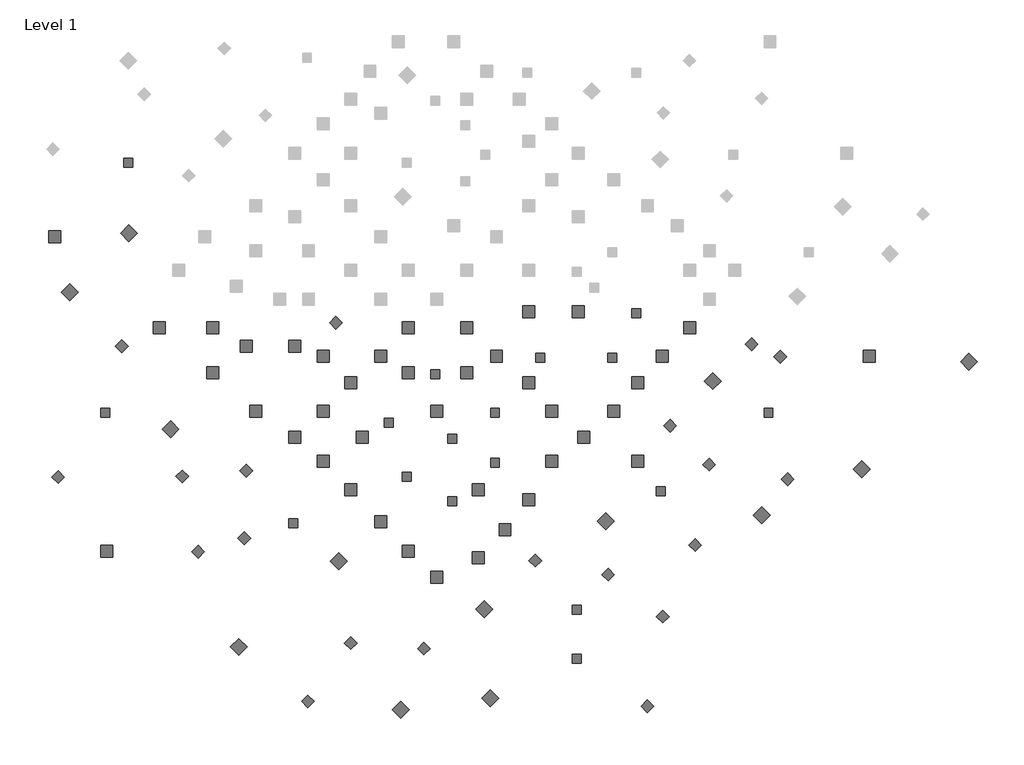
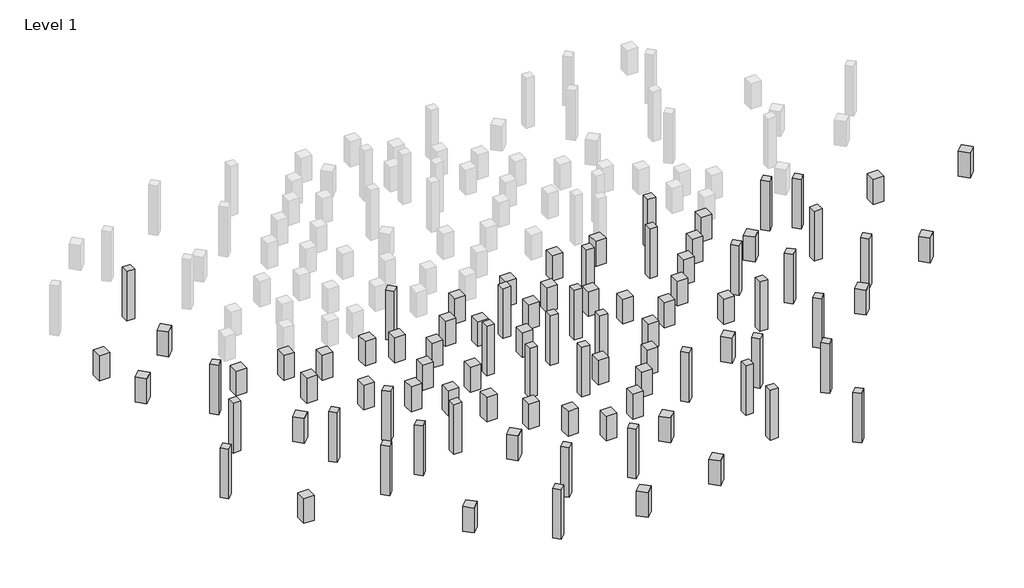
# One storey, part 1 of 2: 91 proxies.
"""IFC4 building model written with IfcOpenShell, lengths in millimetres."""

import ifcopenshell
import ifcopenshell.guid

model = None  # the IFC model being written
_history = None  # IfcOwnerHistory: only IFC2X3 demands one
_inside = {}  # id of a spatial element -> (the spatial element, [elements in it])
_under = {}  # id of a project, library or spatial element -> (it, [spatial elements below it])
_declared = {}  # id of a project -> (the project, [libraries it declares])
_typed = {}  # id of a type object -> (the type object, [elements of that type])
_made_of = {}  # id of a material, layer set ... -> (it, [elements and type objects made of it])


def new_model(schema):
    """Start an empty IFC model of exactly this schema.

    Asked for "IFC4X3", IfcOpenShell would pick the latest addendum, in which some entities
    have other attributes; the version numbers below select the first issue.
    IFC2X3 requires an IfcOwnerHistory on every rooted entity: one is made here for all.
    """
    global model, _history
    if schema == "IFC4X3":
        model = ifcopenshell.file(schema_version=(4, 3, 0, 0))
    else:
        model = ifcopenshell.file(schema=schema)
    _inside.clear()
    _under.clear()
    _declared.clear()
    _typed.clear()
    _made_of.clear()
    _history = None
    if model.schema == "IFC2X3":
        org = make("IfcOrganization", Name="unknown")
        user = make(
            "IfcPersonAndOrganization",
            ThePerson=make("IfcPerson", FamilyName="unknown"),
            TheOrganization=org,
        )
        app = make(
            "IfcApplication",
            ApplicationDeveloper=org,
            Version="unknown",
            ApplicationFullName="unknown",
            ApplicationIdentifier="unknown",
        )
        _history = make(
            "IfcOwnerHistory",
            OwningUser=user,
            OwningApplication=app,
            ChangeAction="ADDED",
            CreationDate=0,
        )
    return model


def make(cls, **values):
    """One entity of the class cls with the attributes given. An attribute that is None is left unset."""
    return model.create_entity(
        cls, **{name: value for name, value in values.items() if value is not None}
    )


def rooted(cls, **values):
    """An entity with a GlobalId (a new one), such as an element, a storey or a relation."""
    return make(cls, GlobalId=ifcopenshell.guid.new(), OwnerHistory=_history, **values)


def si_unit(unit_type, name, prefix=None):
    """IfcSIUnit, for example si_unit("LENGTHUNIT", "METRE", prefix="MILLI")."""
    return make("IfcSIUnit", UnitType=unit_type, Prefix=prefix, Name=name)


def assignment(units):
    """IfcUnitAssignment: the units of a project."""
    return None if units is None else make("IfcUnitAssignment", Units=units)


def point(xyz):
    """IfcCartesianPoint."""
    return None if xyz is None else make("IfcCartesianPoint", Coordinates=xyz)


def direction(xyz):
    """IfcDirection."""
    return None if xyz is None else make("IfcDirection", DirectionRatios=xyz)


def frame(location, z_axis=None, x_axis=None):
    """IfcAxis2Placement3D, a coordinate frame: its origin and axes. An axis left out is left unset."""
    return make(
        "IfcAxis2Placement3D",
        Location=point(location),
        Axis=direction(z_axis),
        RefDirection=direction(x_axis),
    )


def origin():
    """The frame at (0, 0, 0) with its axes left unset."""
    return frame((0.0, 0.0, 0.0))


def origin_with_axes():
    """The frame at (0, 0, 0) with the z axis (0, 0, 1) and the x axis (1, 0, 0) written out."""
    return frame((0.0, 0.0, 0.0), z_axis=(0.0, 0.0, 1.0), x_axis=(1.0, 0.0, 0.0))


def place(relative_to, where):
    """IfcLocalPlacement: puts the frame where relative to a parent placement (None: the world)."""
    return make(
        "IfcLocalPlacement", PlacementRelTo=relative_to, RelativePlacement=where
    )


def context(
    kind, dimensions, precision=None, world=None, true_north=None, identifier=None
):
    """IfcGeometricRepresentationContext, for example the 3D "Model" context."""
    return make(
        "IfcGeometricRepresentationContext",
        ContextIdentifier=identifier,
        ContextType=kind,
        CoordinateSpaceDimension=dimensions,
        Precision=precision,
        WorldCoordinateSystem=world,
        TrueNorth=true_north,
    )


def project(units=None, contexts=None):
    """IfcProject with its units and contexts."""
    return rooted(
        "IfcProject",
        Name="project",
        RepresentationContexts=contexts,
        UnitsInContext=assignment(units),
    )


def spatial(cls, under=None, at=None, **own):
    """A site, building, storey or space (cls), placed at a placement, below another one or the project."""
    s = rooted(cls, ObjectPlacement=at, **own)
    if under is not None:
        _under.setdefault(under.id(), (under, []))[1].append(s)
    return s


def polyline(points):
    """IfcPolyline through the points."""
    return make("IfcPolyline", Points=[point(p) for p in points])


def outline(outer, holes=None, kind="AREA"):
    """IfcArbitraryClosedProfileDef: a profile drawn as a closed curve; with holes, ...WithVoids."""
    if holes is None:
        return make("IfcArbitraryClosedProfileDef", ProfileType=kind, OuterCurve=outer)
    return make(
        "IfcArbitraryProfileDefWithVoids",
        ProfileType=kind,
        OuterCurve=outer,
        InnerCurves=holes,
    )


def extrude(swept, where, along, depth):
    """IfcExtrudedAreaSolid: the profile swept, set in the frame where, extruded along a direction by depth."""
    return make(
        "IfcExtrudedAreaSolid",
        SweptArea=swept,
        Position=where,
        ExtrudedDirection=direction(along),
        Depth=depth,
    )


def shape(context_of_items, identifier, shape_type, items):
    """IfcShapeRepresentation: the items that make up one representation, for example the "Body"."""
    return make(
        "IfcShapeRepresentation",
        ContextOfItems=context_of_items,
        RepresentationIdentifier=identifier,
        RepresentationType=shape_type,
        Items=items,
    )


def source(mapping_origin, context_of_items, identifier, shape_type, items):
    """IfcRepresentationMap: a shape defined once, which mapped items show again and again."""
    return make(
        "IfcRepresentationMap",
        MappingOrigin=mapping_origin,
        MappedRepresentation=shape(context_of_items, identifier, shape_type, items),
    )


def transform(
    local_origin,
    x_axis=None,
    y_axis=None,
    z_axis=None,
    scale=None,
    scale2=None,
    scale3=None,
    uniform=True,
):
    """IfcCartesianTransformationOperator3D, or its non-uniform kind. x_axis, y_axis, z_axis: its Axis1, 2, 3."""
    if uniform:
        return make(
            "IfcCartesianTransformationOperator3D",
            Axis1=direction(x_axis),
            Axis2=direction(y_axis),
            LocalOrigin=point(local_origin),
            Scale=scale,
            Axis3=direction(z_axis),
        )
    return make(
        "IfcCartesianTransformationOperator3DnonUniform",
        Axis1=direction(x_axis),
        Axis2=direction(y_axis),
        LocalOrigin=point(local_origin),
        Scale=scale,
        Axis3=direction(z_axis),
        Scale2=scale2,
        Scale3=scale3,
    )


def mapped(mapping_source, mapping_target):
    """IfcMappedItem: shows the shape of a source again, moved by a transform."""
    return make(
        "IfcMappedItem", MappingSource=mapping_source, MappingTarget=mapping_target
    )


def made_of(thing, what):
    """Note that an element or type object is made of a material, layer set ...; save() writes the relation."""
    if what is not None:
        _made_of.setdefault(what.id(), (what, []))[1].append(thing)
    return thing


def element(
    cls,
    number,
    at=None,
    inside=None,
    cuts=None,
    type_object=None,
    material=None,
    context=None,
    identifier="Body",
    shape_type=None,
    held_by="IfcProductDefinitionShape",
    body=None,
    shapes=None,
    **own,
):
    """One element of the class cls, such as IfcWall. Its Tag is "e" and its number.

    at: its placement. inside: the storey or other place that contains it. cuts: it is an
    opening in that element (IfcRelVoidsElement). A single representation is given by context,
    identifier, shape_type and body (its items); several are given by shapes. held_by: the class
    of the entity that holds the representations. save() writes the other relations.
    """
    e = rooted(cls, Tag="e%d" % number, ObjectPlacement=at, **own)
    if body is not None:
        shapes = [shape(context, identifier, shape_type, body)]
    if shapes is not None:
        e.Representation = make(held_by, Representations=shapes)
    if inside is not None:
        _inside.setdefault(inside.id(), (inside, []))[1].append(e)
    if cuts is not None:
        rooted(
            "IfcRelVoidsElement", RelatingBuildingElement=cuts, RelatedOpeningElement=e
        )
    if type_object is not None:
        _typed.setdefault(type_object.id(), (type_object, []))[1].append(e)
    return made_of(e, material)


def aggregate(whole, parts):
    """IfcRelAggregates: a whole, such as a stair, and the parts it consists of."""
    return rooted("IfcRelAggregates", RelatingObject=whole, RelatedObjects=parts)


def save(model, path):
    """Write the relations noted so far, then the file.

    IfcRelAggregates (storeys below a building ...), IfcRelContainedInSpatialStructure (elements
    in a storey), IfcRelDefinesByType, IfcRelAssociatesMaterial and IfcRelDeclares: one each for
    every whole, place, type object, material and project.
    """
    for whole, parts in _under.values():
        aggregate(whole, parts)
    for where, things in _inside.values():
        rooted(
            "IfcRelContainedInSpatialStructure",
            RelatedElements=things,
            RelatingStructure=where,
        )
    for kind, things in _typed.values():
        rooted("IfcRelDefinesByType", RelatedObjects=things, RelatingType=kind)
    for what, things in _made_of.values():
        rooted("IfcRelAssociatesMaterial", RelatedObjects=things, RelatingMaterial=what)
    for by, libraries in _declared.values():
        rooted("IfcRelDeclares", RelatingContext=by, RelatedDefinitions=libraries)
    model.write(path)


def proxy_15_x_15_x_100_24c94d6c(model_context):
    return source(origin(), model_context, "Body", "SweptSolid", [
        extrude(outline(polyline([(15000.0, 0.0), (0.0, 0.0), (0.0, 15000.0), (15000.0, 15000.0), (15000.0, 0.0)])), origin_with_axes(), (0.0, 0.0, 1.0), 100000.0),
    ])


def proxy_20_x_20_x_50_3dcaf453(model_context):
    return source(origin(), model_context, "Body", "SweptSolid", [
        extrude(outline(polyline([(20000.0, 0.0), (0.0, 0.0), (0.0, 20000.0), (20000.0, 20000.0), (20000.0, 0.0)])), origin_with_axes(), (0.0, 0.0, 1.0), 50000.0),
    ])


model = new_model("IFC4")

# Units and contexts
model_context = context("Model", 3, world=origin())
ifc_project = project(units=[si_unit("LENGTHUNIT", "METRE", prefix="MILLI")], contexts=[model_context])

# Site, building, storey
site = spatial("IfcSite", under=ifc_project)
building = spatial("IfcBuilding", under=site)
storey = spatial("IfcBuildingStorey", under=building, Name="Level 1", Elevation=0.0)

# Proxies
placement = place(None, origin())
proxy_15_x_15_x_100_shape = proxy_15_x_15_x_100_24c94d6c(model_context)
element("IfcBuildingElementProxy", 1, Name="15 x 15 x 100", ObjectType="15 x 15 x 100", at=placement, inside=storey, context=model_context, shape_type="MappedRepresentation", body=[
    mapped(proxy_15_x_15_x_100_shape, transform((142005.8378687, -80556.675213, 0.0), x_axis=(1.0, 0.0, 0.0), y_axis=(0.0, 1.0, 0.0), z_axis=(0.0, 0.0, 1.0))),
])
element("IfcBuildingElementProxy", 2, Name="15 x 15 x 100", ObjectType="15 x 15 x 100", at=placement, inside=storey, context=model_context, shape_type="MappedRepresentation", body=[
    mapped(proxy_15_x_15_x_100_shape, transform((262649.518592, -80556.675213, 0.0), x_axis=(1.0, 0.0, 0.0), y_axis=(0.0, 1.0, 0.0), z_axis=(0.0, 0.0, 1.0))),
])
element("IfcBuildingElementProxy", 3, Name="15 x 15 x 100", ObjectType="15 x 15 x 100", at=placement, inside=storey, context=model_context, shape_type="MappedRepresentation", body=[
    mapped(proxy_15_x_15_x_100_shape, transform((302569.0425016, -5820.2093948, 0.0), x_axis=(1.0, 0.0, 0.0), y_axis=(0.0, 1.0, 0.0), z_axis=(0.0, 0.0, 1.0))),
])
element("IfcBuildingElementProxy", 4, Name="15 x 15 x 100", ObjectType="15 x 15 x 100", at=placement, inside=storey, context=model_context, shape_type="MappedRepresentation", body=[
    mapped(proxy_15_x_15_x_100_shape, transform((-33631.0469867, -108470.4137338, 0.0), x_axis=(1.0, 0.0, 0.0), y_axis=(0.0, 1.0, 0.0), z_axis=(0.0, 0.0, 1.0))),
])
element("IfcBuildingElementProxy", 5, Name="15 x 15 x 100", ObjectType="15 x 15 x 100", at=placement, inside=storey, context=model_context, shape_type="MappedRepresentation", body=[
    mapped(proxy_15_x_15_x_100_shape, transform((-111197.9995008, -189450.019379, 0.0), x_axis=(1.0, 0.0, 0.0), y_axis=(0.0, 1.0, 0.0), z_axis=(0.0, 0.0, 1.0))),
])
element("IfcBuildingElementProxy", 6, Name="15 x 15 x 100", ObjectType="15 x 15 x 100", at=placement, inside=storey, context=model_context, shape_type="MappedRepresentation", body=[
    mapped(proxy_15_x_15_x_100_shape, transform((-4946.7402961, -215986.0299961, 0.0), x_axis=(1.0, 0.0, 0.0), y_axis=(0.0, 1.0, 0.0), z_axis=(0.0, 0.0, 1.0))),
])
element("IfcBuildingElementProxy", 7, Name="15 x 15 x 100", ObjectType="15 x 15 x 100", at=placement, inside=storey, context=model_context, shape_type="MappedRepresentation", body=[
    mapped(proxy_15_x_15_x_100_shape, transform((66276.0262509, -172347.2957843, 0.0), x_axis=(1.0, 0.0, 0.0), y_axis=(0.0, 1.0, 0.0), z_axis=(0.0, 0.0, 1.0))),
])
element("IfcBuildingElementProxy", 8, Name="15 x 15 x 100", ObjectType="15 x 15 x 100", at=placement, inside=storey, context=model_context, shape_type="MappedRepresentation", body=[
    mapped(proxy_15_x_15_x_100_shape, transform((66276.0262509, -256430.7427839, 0.0), x_axis=(1.0, 0.0, 0.0), y_axis=(0.0, 1.0, 0.0), z_axis=(0.0, 0.0, 1.0))),
])
element("IfcBuildingElementProxy", 9, Name="15 x 15 x 100", ObjectType="15 x 15 x 100", at=placement, inside=storey, context=model_context, shape_type="MappedRepresentation", body=[
    mapped(proxy_15_x_15_x_100_shape, transform((-81276.9552111, -279554.0876321, 0.0), x_axis=(1.0, 0.0, 0.0), y_axis=(0.0, 1.0, 0.0), z_axis=(0.0, 0.0, 1.0))),
])
element("IfcBuildingElementProxy", 10, Name="15 x 15 x 100", ObjectType="15 x 15 x 100", at=placement, inside=storey, context=model_context, shape_type="MappedRepresentation", body=[
    mapped(proxy_15_x_15_x_100_shape, transform((-4946.7402961, -320278.2799121, 0.0), x_axis=(1.0, 0.0, 0.0), y_axis=(0.0, 1.0, 0.0), z_axis=(0.0, 0.0, 1.0))),
])
element("IfcBuildingElementProxy", 11, Name="15 x 15 x 100", ObjectType="15 x 15 x 100", at=placement, inside=storey, context=model_context, shape_type="MappedRepresentation", body=[
    mapped(proxy_15_x_15_x_100_shape, transform((-546797.5632868, 245102.5123227, 0.0), x_axis=(1.0, 0.0, 0.0), y_axis=(0.0, 1.0, 0.0), z_axis=(0.0, 0.0, 1.0))),
])
element("IfcBuildingElementProxy", 12, Name="15 x 15 x 100", ObjectType="15 x 15 x 100", at=placement, inside=storey, context=model_context, shape_type="MappedRepresentation", body=[
    mapped(proxy_15_x_15_x_100_shape, transform((-584959.772726, -172347.2957843, 0.0), x_axis=(1.0, 0.0, 0.0), y_axis=(0.0, 1.0, 0.0), z_axis=(0.0, 0.0, 1.0))),
])
element("IfcBuildingElementProxy", 13, Name="15 x 15 x 100", ObjectType="15 x 15 x 100", at=placement, inside=storey, context=model_context, shape_type="MappedRepresentation", body=[
    mapped(proxy_15_x_15_x_100_shape, transform((-270658.6972235, -357334.5353289, 0.0), x_axis=(1.0, 0.0, 0.0), y_axis=(0.0, 1.0, 0.0), z_axis=(0.0, 0.0, 1.0))),
])
element("IfcBuildingElementProxy", 14, Name="15 x 15 x 100", ObjectType="15 x 15 x 100", at=placement, inside=storey, context=model_context, shape_type="MappedRepresentation", body=[
    mapped(proxy_15_x_15_x_100_shape, transform((202634.7840339, -501624.973444, 0.0), x_axis=(1.0, 0.0, 0.0), y_axis=(0.0, 1.0, 0.0), z_axis=(0.0, 0.0, 1.0))),
])
element("IfcBuildingElementProxy", 15, Name="15 x 15 x 100", ObjectType="15 x 15 x 100", at=placement, inside=storey, context=model_context, shape_type="MappedRepresentation", body=[
    mapped(proxy_15_x_15_x_100_shape, transform((343629.1242372, -303864.1495358, 0.0), x_axis=(1.0, 0.0, 0.0), y_axis=(0.0, 1.0, 0.0), z_axis=(0.0, 0.0, 1.0))),
])
element("IfcBuildingElementProxy", 16, Name="15 x 15 x 100", ObjectType="15 x 15 x 100", at=placement, inside=storey, context=model_context, shape_type="MappedRepresentation", body=[
    mapped(proxy_15_x_15_x_100_shape, transform((523478.9468949, -172347.2957843, 0.0), x_axis=(1.0, 0.0, 0.0), y_axis=(0.0, 1.0, 0.0), z_axis=(0.0, 0.0, 1.0))),
])
element("IfcBuildingElementProxy", 17, Name="15 x 15 x 100", ObjectType="15 x 15 x 100", at=placement, inside=storey, context=model_context, shape_type="MappedRepresentation", body=[
    mapped(proxy_15_x_15_x_100_shape, transform((-342109.3490219, -272651.7168087, 0.0), x_axis=(0.7071067811865475, 0.7071067811865476, 0.0), y_axis=(-0.7071067811865476, 0.7071067811865475, 0.0), z_axis=(0.0, 0.0, 1.0))),
])
element("IfcBuildingElementProxy", 18, Name="15 x 15 x 100", ObjectType="15 x 15 x 100", at=placement, inside=storey, context=model_context, shape_type="MappedRepresentation", body=[
    mapped(proxy_15_x_15_x_100_shape, transform((-550266.855054, -64494.2107766, 0.0), x_axis=(0.7071067811865475, 0.7071067811865476, 0.0), y_axis=(-0.7071067811865476, 0.7071067811865475, 0.0), z_axis=(0.0, 0.0, 1.0))),
])
element("IfcBuildingElementProxy", 19, Name="15 x 15 x 100", ObjectType="15 x 15 x 100", at=placement, inside=storey, context=model_context, shape_type="MappedRepresentation", body=[
    mapped(proxy_15_x_15_x_100_shape, transform((502663.1962917, -61024.9190094, 0.0), x_axis=(0.7071067811865475, 0.7071067811865476, 0.0), y_axis=(-0.7071067811865476, 0.7071067811865475, 0.0), z_axis=(0.0, 0.0, 1.0))),
])
element("IfcBuildingElementProxy", 20, Name="15 x 15 x 100", ObjectType="15 x 15 x 100", at=placement, inside=storey, context=model_context, shape_type="MappedRepresentation", body=[
    mapped(proxy_15_x_15_x_100_shape, transform((431542.715064, -262243.8415071, 0.0), x_axis=(0.7071067811865475, 0.7071067811865476, 0.0), y_axis=(-0.7071067811865476, 0.7071067811865475, 0.0), z_axis=(0.0, 0.0, 1.0))),
])
element("IfcBuildingElementProxy", 21, Name="15 x 15 x 100", ObjectType="15 x 15 x 100", at=placement, inside=storey, context=model_context, shape_type="MappedRepresentation", body=[
    mapped(proxy_15_x_15_x_100_shape, transform((366493.494429, -197194.620872, 0.0), x_axis=(0.7071067811865475, 0.7071067811865476, 0.0), y_axis=(-0.7071067811865476, 0.7071067811865475, 0.0), z_axis=(0.0, 0.0, 1.0))),
])
element("IfcBuildingElementProxy", 22, Name="15 x 15 x 100", ObjectType="15 x 15 x 100", at=placement, inside=storey, context=model_context, shape_type="MappedRepresentation", body=[
    mapped(proxy_15_x_15_x_100_shape, transform((408124.9956354, -396678.8974861, 0.0), x_axis=(0.7071067811865475, 0.7071067811865476, 0.0), y_axis=(-0.7071067811865476, 0.7071067811865475, 0.0), z_axis=(0.0, 0.0, 1.0))),
])
element("IfcBuildingElementProxy", 23, Name="15 x 15 x 100", ObjectType="15 x 15 x 100", at=placement, inside=storey, context=model_context, shape_type="MappedRepresentation", body=[
    mapped(proxy_15_x_15_x_100_shape, transform((140989.5295609, -422698.5857401, 0.0), x_axis=(0.7071067811865475, 0.7071067811865476, 0.0), y_axis=(-0.7071067811865476, 0.7071067811865475, 0.0), z_axis=(0.0, 0.0, 1.0))),
])
element("IfcBuildingElementProxy", 24, Name="15 x 15 x 100", ObjectType="15 x 15 x 100", at=placement, inside=storey, context=model_context, shape_type="MappedRepresentation", body=[
    mapped(proxy_15_x_15_x_100_shape, transform((354350.9732438, -516369.4634546, 0.0), x_axis=(0.7071067811865475, 0.7071067811865476, 0.0), y_axis=(-0.7071067811865476, 0.7071067811865475, 0.0), z_axis=(0.0, 0.0, 1.0))),
])
element("IfcBuildingElementProxy", 25, Name="15 x 15 x 100", ObjectType="15 x 15 x 100", at=placement, inside=storey, context=model_context, shape_type="MappedRepresentation", body=[
    mapped(proxy_15_x_15_x_100_shape, transform((-345578.6407891, -385403.6992427, 0.0), x_axis=(0.7071067811865475, 0.7071067811865476, 0.0), y_axis=(-0.7071067811865476, 0.7071067811865475, 0.0), z_axis=(0.0, 0.0, 1.0))),
])
element("IfcBuildingElementProxy", 26, Name="15 x 15 x 100", ObjectType="15 x 15 x 100", at=placement, inside=storey, context=model_context, shape_type="MappedRepresentation", body=[
    mapped(proxy_15_x_15_x_100_shape, transform((-449045.3890543, -281936.9509775, 0.0), x_axis=(0.7071067811865475, 0.7071067811865476, 0.0), y_axis=(-0.7071067811865476, 0.7071067811865475, 0.0), z_axis=(0.0, 0.0, 1.0))),
])
element("IfcBuildingElementProxy", 27, Name="15 x 15 x 100", ObjectType="15 x 15 x 100", at=placement, inside=storey, context=model_context, shape_type="MappedRepresentation", body=[
    mapped(proxy_15_x_15_x_100_shape, transform((-192317.7982814, -25209.3602046, 0.0), x_axis=(0.7071067811865475, 0.7071067811865476, 0.0), y_axis=(-0.7071067811865476, 0.7071067811865475, 0.0), z_axis=(0.0, 0.0, 1.0))),
])
element("IfcBuildingElementProxy", 28, Name="15 x 15 x 100", ObjectType="15 x 15 x 100", at=placement, inside=storey, context=model_context, shape_type="MappedRepresentation", body=[
    mapped(proxy_15_x_15_x_100_shape, transform((-646083.2728957, -272551.9746704, 0.0), x_axis=(-0.7071067811865465, 0.7071067811865486, 0.0), y_axis=(-0.7071067811865486, -0.7071067811865465, 0.0), z_axis=(0.0, 0.0, 1.0))),
])
element("IfcBuildingElementProxy", 29, Name="15 x 15 x 100", ObjectType="15 x 15 x 100", at=placement, inside=storey, context=model_context, shape_type="MappedRepresentation", body=[
    mapped(proxy_15_x_15_x_100_shape, transform((-411906.0786096, -397446.4782896, 0.0), x_axis=(-0.7071067811865466, 0.7071067811865486, 0.0), y_axis=(-0.7071067811865486, -0.7071067811865466, 0.0), z_axis=(0.0, 0.0, 1.0))),
])
element("IfcBuildingElementProxy", 30, Name="15 x 15 x 100", ObjectType="15 x 15 x 100", at=placement, inside=storey, context=model_context, shape_type="MappedRepresentation", body=[
    mapped(proxy_15_x_15_x_100_shape, transform((-156913.1337203, -550095.3160465, 0.0), x_axis=(-0.7071067811865466, 0.7071067811865486, 0.0), y_axis=(-0.7071067811865486, -0.7071067811865466, 0.0), z_axis=(0.0, 0.0, 1.0))),
])
element("IfcBuildingElementProxy", 31, Name="15 x 15 x 100", ObjectType="15 x 15 x 100", at=placement, inside=storey, context=model_context, shape_type="MappedRepresentation", body=[
    mapped(proxy_15_x_15_x_100_shape, transform((273279.0454127, -435608.6877288, 0.0), x_axis=(-0.7071067811865466, 0.7071067811865486, 0.0), y_axis=(-0.7071067811865486, -0.7071067811865466, 0.0), z_axis=(0.0, 0.0, 1.0))),
])
element("IfcBuildingElementProxy", 32, Name="15 x 15 x 100", ObjectType="15 x 15 x 100", at=placement, inside=storey, context=model_context, shape_type="MappedRepresentation", body=[
    mapped(proxy_15_x_15_x_100_shape, transform((573372.7832756, -276021.2664376, 0.0), x_axis=(-0.7071067811865466, 0.7071067811865486, 0.0), y_axis=(-0.7071067811865486, -0.7071067811865466, 0.0), z_axis=(0.0, 0.0, 1.0))),
])
element("IfcBuildingElementProxy", 33, Name="15 x 15 x 100", ObjectType="15 x 15 x 100", at=placement, inside=storey, context=model_context, shape_type="MappedRepresentation", body=[
    mapped(proxy_15_x_15_x_100_shape, transform((561230.2620904, -71333.0521727, 0.0), x_axis=(-0.7071067811865466, 0.7071067811865486, 0.0), y_axis=(-0.7071067811865486, -0.7071067811865466, 0.0), z_axis=(0.0, 0.0, 1.0))),
])
element("IfcBuildingElementProxy", 34, Name="15 x 15 x 100", ObjectType="15 x 15 x 100", at=placement, inside=storey, context=model_context, shape_type="MappedRepresentation", body=[
    mapped(proxy_15_x_15_x_100_shape, transform((202634.7840339, -583731.5295024, 0.0), x_axis=(1.0, 0.0, 0.0), y_axis=(0.0, 1.0, 0.0), z_axis=(0.0, 0.0, 1.0))),
])
element("IfcBuildingElementProxy", 35, Name="15 x 15 x 100", ObjectType="15 x 15 x 100", at=placement, inside=storey, context=model_context, shape_type="MappedRepresentation", body=[
    mapped(proxy_15_x_15_x_100_shape, transform((-45029.2776956, -569731.7881349, 0.0), x_axis=(0.7071067811865475, 0.7071067811865476, 0.0), y_axis=(-0.7071067811865476, 0.7071067811865475, 0.0), z_axis=(0.0, 0.0, 1.0))),
])
element("IfcBuildingElementProxy", 36, Name="15 x 15 x 100", ObjectType="15 x 15 x 100", at=placement, inside=storey, context=model_context, shape_type="MappedRepresentation", body=[
    mapped(proxy_15_x_15_x_100_shape, transform((328668.6725364, -666318.0200206, 0.0), x_axis=(0.7071067811865475, 0.7071067811865476, 0.0), y_axis=(-0.7071067811865476, 0.7071067811865475, 0.0), z_axis=(0.0, 0.0, 1.0))),
])
element("IfcBuildingElementProxy", 37, Name="15 x 15 x 100", ObjectType="15 x 15 x 100", at=placement, inside=storey, context=model_context, shape_type="MappedRepresentation", body=[
    mapped(proxy_15_x_15_x_100_shape, transform((-239113.4497765, -658288.7778869, 0.0), x_axis=(0.7071067811865475, 0.7071067811865476, 0.0), y_axis=(-0.7071067811865476, 0.7071067811865475, 0.0), z_axis=(0.0, 0.0, 1.0))),
])
proxy_20_x_20_x_50_shape = proxy_20_x_20_x_50_3dcaf453(model_context)
element("IfcBuildingElementProxy", 38, Name="20 x 20 x 50", ObjectType="20 x 20 x 50", at=placement, inside=storey, context=model_context, shape_type="MappedRepresentation", body=[
    mapped(proxy_20_x_20_x_50_shape, transform((-177352.2677322, -124819.442025, 0.0), x_axis=(1.0, 0.0, 0.0), y_axis=(0.0, 1.0, 0.0), z_axis=(0.0, 0.0, 1.0))),
])
element("IfcBuildingElementProxy", 39, Name="20 x 20 x 50", ObjectType="20 x 20 x 50", at=placement, inside=storey, context=model_context, shape_type="MappedRepresentation", body=[
    mapped(proxy_20_x_20_x_50_shape, transform((-127513.2211803, -80556.675213, 0.0), x_axis=(1.0, 0.0, 0.0), y_axis=(0.0, 1.0, 0.0), z_axis=(0.0, 0.0, 1.0))),
])
element("IfcBuildingElementProxy", 40, Name="20 x 20 x 50", ObjectType="20 x 20 x 50", at=placement, inside=storey, context=model_context, shape_type="MappedRepresentation", body=[
    mapped(proxy_20_x_20_x_50_shape, transform((-81276.9552111, -32628.8385375, 0.0), x_axis=(1.0, 0.0, 0.0), y_axis=(0.0, 1.0, 0.0), z_axis=(0.0, 0.0, 1.0))),
])
element("IfcBuildingElementProxy", 41, Name="20 x 20 x 50", ObjectType="20 x 20 x 50", at=placement, inside=storey, context=model_context, shape_type="MappedRepresentation", body=[
    mapped(proxy_20_x_20_x_50_shape, transform((-223052.8053562, -172347.2957843, 0.0), x_axis=(1.0, 0.0, 0.0), y_axis=(0.0, 1.0, 0.0), z_axis=(0.0, 0.0, 1.0))),
])
element("IfcBuildingElementProxy", 42, Name="20 x 20 x 50", ObjectType="20 x 20 x 50", at=placement, inside=storey, context=model_context, shape_type="MappedRepresentation", body=[
    mapped(proxy_20_x_20_x_50_shape, transform((-270658.6972235, -215986.0299961, 0.0), x_axis=(1.0, 0.0, 0.0), y_axis=(0.0, 1.0, 0.0), z_axis=(0.0, 0.0, 1.0))),
])
element("IfcBuildingElementProxy", 43, Name="20 x 20 x 50", ObjectType="20 x 20 x 50", at=placement, inside=storey, context=model_context, shape_type="MappedRepresentation", body=[
    mapped(proxy_20_x_20_x_50_shape, transform((-223052.8053562, -256430.7427839, 0.0), x_axis=(1.0, 0.0, 0.0), y_axis=(0.0, 1.0, 0.0), z_axis=(0.0, 0.0, 1.0))),
])
element("IfcBuildingElementProxy", 44, Name="20 x 20 x 50", ObjectType="20 x 20 x 50", at=placement, inside=storey, context=model_context, shape_type="MappedRepresentation", body=[
    mapped(proxy_20_x_20_x_50_shape, transform((-177352.2677322, -303864.1495358, 0.0), x_axis=(1.0, 0.0, 0.0), y_axis=(0.0, 1.0, 0.0), z_axis=(0.0, 0.0, 1.0))),
])
element("IfcBuildingElementProxy", 45, Name="20 x 20 x 50", ObjectType="20 x 20 x 50", at=placement, inside=storey, context=model_context, shape_type="MappedRepresentation", body=[
    mapped(proxy_20_x_20_x_50_shape, transform((-127513.2211803, -357334.5353289, 0.0), x_axis=(1.0, 0.0, 0.0), y_axis=(0.0, 1.0, 0.0), z_axis=(0.0, 0.0, 1.0))),
])
element("IfcBuildingElementProxy", 46, Name="20 x 20 x 50", ObjectType="20 x 20 x 50", at=placement, inside=storey, context=model_context, shape_type="MappedRepresentation", body=[
    mapped(proxy_20_x_20_x_50_shape, transform((-81276.9552111, -406622.157072, 0.0), x_axis=(1.0, 0.0, 0.0), y_axis=(0.0, 1.0, 0.0), z_axis=(0.0, 0.0, 1.0))),
])
element("IfcBuildingElementProxy", 47, Name="20 x 20 x 50", ObjectType="20 x 20 x 50", at=placement, inside=storey, context=model_context, shape_type="MappedRepresentation", body=[
    mapped(proxy_20_x_20_x_50_shape, transform((-33631.0469867, -450260.8912837, 0.0), x_axis=(1.0, 0.0, 0.0), y_axis=(0.0, 1.0, 0.0), z_axis=(0.0, 0.0, 1.0))),
])
element("IfcBuildingElementProxy", 48, Name="20 x 20 x 50", ObjectType="20 x 20 x 50", at=placement, inside=storey, context=model_context, shape_type="MappedRepresentation", body=[
    mapped(proxy_20_x_20_x_50_shape, transform((16252.7669128, -32628.8385375, 0.0), x_axis=(1.0, 0.0, 0.0), y_axis=(0.0, 1.0, 0.0), z_axis=(0.0, 0.0, 1.0))),
])
element("IfcBuildingElementProxy", 49, Name="20 x 20 x 50", ObjectType="20 x 20 x 50", at=placement, inside=storey, context=model_context, shape_type="MappedRepresentation", body=[
    mapped(proxy_20_x_20_x_50_shape, transform((66276.0262509, -80556.675213, 0.0), x_axis=(1.0, 0.0, 0.0), y_axis=(0.0, 1.0, 0.0), z_axis=(0.0, 0.0, 1.0))),
])
element("IfcBuildingElementProxy", 50, Name="20 x 20 x 50", ObjectType="20 x 20 x 50", at=placement, inside=storey, context=model_context, shape_type="MappedRepresentation", body=[
    mapped(proxy_20_x_20_x_50_shape, transform((119823.9885402, -124819.442025, 0.0), x_axis=(1.0, 0.0, 0.0), y_axis=(0.0, 1.0, 0.0), z_axis=(0.0, 0.0, 1.0))),
])
element("IfcBuildingElementProxy", 51, Name="20 x 20 x 50", ObjectType="20 x 20 x 50", at=placement, inside=storey, context=model_context, shape_type="MappedRepresentation", body=[
    mapped(proxy_20_x_20_x_50_shape, transform((158786.1189966, -172347.2957843, 0.0), x_axis=(1.0, 0.0, 0.0), y_axis=(0.0, 1.0, 0.0), z_axis=(0.0, 0.0, 1.0))),
])
element("IfcBuildingElementProxy", 52, Name="20 x 20 x 50", ObjectType="20 x 20 x 50", at=placement, inside=storey, context=model_context, shape_type="MappedRepresentation", body=[
    mapped(proxy_20_x_20_x_50_shape, transform((212464.9742485, -215986.0299961, 0.0), x_axis=(1.0, 0.0, 0.0), y_axis=(0.0, 1.0, 0.0), z_axis=(0.0, 0.0, 1.0))),
])
element("IfcBuildingElementProxy", 53, Name="20 x 20 x 50", ObjectType="20 x 20 x 50", at=placement, inside=storey, context=model_context, shape_type="MappedRepresentation", body=[
    mapped(proxy_20_x_20_x_50_shape, transform((262649.518592, -172347.2957843, 0.0), x_axis=(1.0, 0.0, 0.0), y_axis=(0.0, 1.0, 0.0), z_axis=(0.0, 0.0, 1.0))),
])
element("IfcBuildingElementProxy", 54, Name="20 x 20 x 50", ObjectType="20 x 20 x 50", at=placement, inside=storey, context=model_context, shape_type="MappedRepresentation", body=[
    mapped(proxy_20_x_20_x_50_shape, transform((302569.0425016, -124819.442025, 0.0), x_axis=(1.0, 0.0, 0.0), y_axis=(0.0, 1.0, 0.0), z_axis=(0.0, 0.0, 1.0))),
])
element("IfcBuildingElementProxy", 55, Name="20 x 20 x 50", ObjectType="20 x 20 x 50", at=placement, inside=storey, context=model_context, shape_type="MappedRepresentation", body=[
    mapped(proxy_20_x_20_x_50_shape, transform((343629.1242372, -80556.675213, 0.0), x_axis=(1.0, 0.0, 0.0), y_axis=(0.0, 1.0, 0.0), z_axis=(0.0, 0.0, 1.0))),
])
element("IfcBuildingElementProxy", 56, Name="20 x 20 x 50", ObjectType="20 x 20 x 50", at=placement, inside=storey, context=model_context, shape_type="MappedRepresentation", body=[
    mapped(proxy_20_x_20_x_50_shape, transform((389251.4372768, -32628.8385375, 0.0), x_axis=(1.0, 0.0, 0.0), y_axis=(0.0, 1.0, 0.0), z_axis=(0.0, 0.0, 1.0))),
])
element("IfcBuildingElementProxy", 57, Name="20 x 20 x 50", ObjectType="20 x 20 x 50", at=placement, inside=storey, context=model_context, shape_type="MappedRepresentation", body=[
    mapped(proxy_20_x_20_x_50_shape, transform((158786.1189966, -256430.7427839, 0.0), x_axis=(1.0, 0.0, 0.0), y_axis=(0.0, 1.0, 0.0), z_axis=(0.0, 0.0, 1.0))),
])
element("IfcBuildingElementProxy", 58, Name="20 x 20 x 50", ObjectType="20 x 20 x 50", at=placement, inside=storey, context=model_context, shape_type="MappedRepresentation", body=[
    mapped(proxy_20_x_20_x_50_shape, transform((119823.9885402, -320278.2799121, 0.0), x_axis=(1.0, 0.0, 0.0), y_axis=(0.0, 1.0, 0.0), z_axis=(0.0, 0.0, 1.0))),
])
element("IfcBuildingElementProxy", 59, Name="20 x 20 x 50", ObjectType="20 x 20 x 50", at=placement, inside=storey, context=model_context, shape_type="MappedRepresentation", body=[
    mapped(proxy_20_x_20_x_50_shape, transform((80459.6803064, -370298.9633959, 0.0), x_axis=(1.0, 0.0, 0.0), y_axis=(0.0, 1.0, 0.0), z_axis=(0.0, 0.0, 1.0))),
])
element("IfcBuildingElementProxy", 60, Name="20 x 20 x 50", ObjectType="20 x 20 x 50", at=placement, inside=storey, context=model_context, shape_type="MappedRepresentation", body=[
    mapped(proxy_20_x_20_x_50_shape, transform((35613.5502864, -417732.3701478, 0.0), x_axis=(1.0, 0.0, 0.0), y_axis=(0.0, 1.0, 0.0), z_axis=(0.0, 0.0, 1.0))),
])
element("IfcBuildingElementProxy", 61, Name="20 x 20 x 50", ObjectType="20 x 20 x 50", at=placement, inside=storey, context=model_context, shape_type="MappedRepresentation", body=[
    mapped(proxy_20_x_20_x_50_shape, transform((-335887.8912206, -172347.2957843, 0.0), x_axis=(1.0, 0.0, 0.0), y_axis=(0.0, 1.0, 0.0), z_axis=(0.0, 0.0, 1.0))),
])
element("IfcBuildingElementProxy", 62, Name="20 x 20 x 50", ObjectType="20 x 20 x 50", at=placement, inside=storey, context=model_context, shape_type="MappedRepresentation", body=[
    mapped(proxy_20_x_20_x_50_shape, transform((-407743.0342579, -108470.4137338, 0.0), x_axis=(1.0, 0.0, 0.0), y_axis=(0.0, 1.0, 0.0), z_axis=(0.0, 0.0, 1.0))),
])
element("IfcBuildingElementProxy", 63, Name="20 x 20 x 50", ObjectType="20 x 20 x 50", at=placement, inside=storey, context=model_context, shape_type="MappedRepresentation", body=[
    mapped(proxy_20_x_20_x_50_shape, transform((-407743.0342579, -32628.8385375, 0.0), x_axis=(1.0, 0.0, 0.0), y_axis=(0.0, 1.0, 0.0), z_axis=(0.0, 0.0, 1.0))),
])
element("IfcBuildingElementProxy", 64, Name="20 x 20 x 50", ObjectType="20 x 20 x 50", at=placement, inside=storey, context=model_context, shape_type="MappedRepresentation", body=[
    mapped(proxy_20_x_20_x_50_shape, transform((-351855.7007844, -63988.6585202, 0.0), x_axis=(1.0, 0.0, 0.0), y_axis=(0.0, 1.0, 0.0), z_axis=(0.0, 0.0, 1.0))),
])
element("IfcBuildingElementProxy", 65, Name="20 x 20 x 50", ObjectType="20 x 20 x 50", at=placement, inside=storey, context=model_context, shape_type="MappedRepresentation", body=[
    mapped(proxy_20_x_20_x_50_shape, transform((-223052.8053562, -80556.675213, 0.0), x_axis=(1.0, 0.0, 0.0), y_axis=(0.0, 1.0, 0.0), z_axis=(0.0, 0.0, 1.0))),
])
element("IfcBuildingElementProxy", 66, Name="20 x 20 x 50", ObjectType="20 x 20 x 50", at=placement, inside=storey, context=model_context, shape_type="MappedRepresentation", body=[
    mapped(proxy_20_x_20_x_50_shape, transform((-497847.102511, -32628.8385375, 0.0), x_axis=(1.0, 0.0, 0.0), y_axis=(0.0, 1.0, 0.0), z_axis=(0.0, 0.0, 1.0))),
])
element("IfcBuildingElementProxy", 67, Name="20 x 20 x 50", ObjectType="20 x 20 x 50", at=placement, inside=storey, context=model_context, shape_type="MappedRepresentation", body=[
    mapped(proxy_20_x_20_x_50_shape, transform((119823.9885402, -5820.2093948, 0.0), x_axis=(1.0, 0.0, 0.0), y_axis=(0.0, 1.0, 0.0), z_axis=(0.0, 0.0, 1.0))),
])
element("IfcBuildingElementProxy", 68, Name="20 x 20 x 50", ObjectType="20 x 20 x 50", at=placement, inside=storey, context=model_context, shape_type="MappedRepresentation", body=[
    mapped(proxy_20_x_20_x_50_shape, transform((202634.7840339, -5820.2093948, 0.0), x_axis=(1.0, 0.0, 0.0), y_axis=(0.0, 1.0, 0.0), z_axis=(0.0, 0.0, 1.0))),
])
element("IfcBuildingElementProxy", 69, Name="20 x 20 x 50", ObjectType="20 x 20 x 50", at=placement, inside=storey, context=model_context, shape_type="MappedRepresentation", body=[
    mapped(proxy_20_x_20_x_50_shape, transform((16252.7669128, -108470.4137338, 0.0), x_axis=(1.0, 0.0, 0.0), y_axis=(0.0, 1.0, 0.0), z_axis=(0.0, 0.0, 1.0))),
])
element("IfcBuildingElementProxy", 70, Name="20 x 20 x 50", ObjectType="20 x 20 x 50", at=placement, inside=storey, context=model_context, shape_type="MappedRepresentation", body=[
    mapped(proxy_20_x_20_x_50_shape, transform((-33631.0469867, -172347.2957843, 0.0), x_axis=(1.0, 0.0, 0.0), y_axis=(0.0, 1.0, 0.0), z_axis=(0.0, 0.0, 1.0))),
])
element("IfcBuildingElementProxy", 71, Name="20 x 20 x 50", ObjectType="20 x 20 x 50", at=placement, inside=storey, context=model_context, shape_type="MappedRepresentation", body=[
    mapped(proxy_20_x_20_x_50_shape, transform((35613.5502864, -303864.1495358, 0.0), x_axis=(1.0, 0.0, 0.0), y_axis=(0.0, 1.0, 0.0), z_axis=(0.0, 0.0, 1.0))),
])
element("IfcBuildingElementProxy", 72, Name="20 x 20 x 50", ObjectType="20 x 20 x 50", at=placement, inside=storey, context=model_context, shape_type="MappedRepresentation", body=[
    mapped(proxy_20_x_20_x_50_shape, transform((-157960.8703663, -215986.0299961, 0.0), x_axis=(1.0, 0.0, 0.0), y_axis=(0.0, 1.0, 0.0), z_axis=(0.0, 0.0, 1.0))),
])
element("IfcBuildingElementProxy", 73, Name="20 x 20 x 50", ObjectType="20 x 20 x 50", at=placement, inside=storey, context=model_context, shape_type="MappedRepresentation", body=[
    mapped(proxy_20_x_20_x_50_shape, transform((-81276.9552111, -108470.4137338, 0.0), x_axis=(1.0, 0.0, 0.0), y_axis=(0.0, 1.0, 0.0), z_axis=(0.0, 0.0, 1.0))),
])
element("IfcBuildingElementProxy", 74, Name="20 x 20 x 50", ObjectType="20 x 20 x 50", at=placement, inside=storey, context=model_context, shape_type="MappedRepresentation", body=[
    mapped(proxy_20_x_20_x_50_shape, transform((-270658.6972235, -63988.6585202, 0.0), x_axis=(1.0, 0.0, 0.0), y_axis=(0.0, 1.0, 0.0), z_axis=(0.0, 0.0, 1.0))),
])
element("IfcBuildingElementProxy", 75, Name="20 x 20 x 50", ObjectType="20 x 20 x 50", at=placement, inside=storey, context=model_context, shape_type="MappedRepresentation", body=[
    mapped(proxy_20_x_20_x_50_shape, transform((437613.9756566, -126074.1396444, 0.0), x_axis=(0.7071067811865475, 0.7071067811865476, 0.0), y_axis=(-0.7071067811865476, 0.7071067811865475, 0.0), z_axis=(0.0, 0.0, 1.0))),
])
element("IfcBuildingElementProxy", 76, Name="20 x 20 x 50", ObjectType="20 x 20 x 50", at=placement, inside=storey, context=model_context, shape_type="MappedRepresentation", body=[
    mapped(proxy_20_x_20_x_50_shape, transform((520009.6551277, -350710.7815707, 0.0), x_axis=(0.7071067811865475, 0.7071067811865476, 0.0), y_axis=(-0.7071067811865476, 0.7071067811865475, 0.0), z_axis=(0.0, 0.0, 1.0))),
])
element("IfcBuildingElementProxy", 77, Name="20 x 20 x 50", ObjectType="20 x 20 x 50", at=placement, inside=storey, context=model_context, shape_type="MappedRepresentation", body=[
    mapped(proxy_20_x_20_x_50_shape, transform((258945.4496458, -360251.3339305, 0.0), x_axis=(0.7071067811865475, 0.7071067811865476, 0.0), y_axis=(-0.7071067811865476, 0.7071067811865475, 0.0), z_axis=(0.0, 0.0, 1.0))),
])
element("IfcBuildingElementProxy", 78, Name="20 x 20 x 50", ObjectType="20 x 20 x 50", at=placement, inside=storey, context=model_context, shape_type="MappedRepresentation", body=[
    mapped(proxy_20_x_20_x_50_shape, transform((55991.8812645, -507696.2340366, 0.0), x_axis=(0.7071067811865475, 0.7071067811865476, 0.0), y_axis=(-0.7071067811865476, 0.7071067811865475, 0.0), z_axis=(0.0, 0.0, 1.0))),
])
element("IfcBuildingElementProxy", 79, Name="20 x 20 x 50", ObjectType="20 x 20 x 50", at=placement, inside=storey, context=model_context, shape_type="MappedRepresentation", body=[
    mapped(proxy_20_x_20_x_50_shape, transform((-187725.8653814, -427035.2004491, 0.0), x_axis=(0.7071067811865475, 0.7071067811865476, 0.0), y_axis=(-0.7071067811865476, 0.7071067811865475, 0.0), z_axis=(0.0, 0.0, 1.0))),
])
element("IfcBuildingElementProxy", 80, Name="20 x 20 x 50", ObjectType="20 x 20 x 50", at=placement, inside=storey, context=model_context, shape_type="MappedRepresentation", body=[
    mapped(proxy_20_x_20_x_50_shape, transform((-468738.4985247, -206735.1732318, 0.0), x_axis=(0.7071067811865475, 0.7071067811865476, 0.0), y_axis=(-0.7071067811865476, 0.7071067811865475, 0.0), z_axis=(0.0, 0.0, 1.0))),
])
element("IfcBuildingElementProxy", 81, Name="20 x 20 x 50", ObjectType="20 x 20 x 50", at=placement, inside=storey, context=model_context, shape_type="MappedRepresentation", body=[
    mapped(proxy_20_x_20_x_50_shape, transform((-636999.149234, 22238.0834034, 0.0), x_axis=(0.7071067811865475, 0.7071067811865476, 0.0), y_axis=(-0.7071067811865476, 0.7071067811865475, 0.0), z_axis=(0.0, 0.0, 1.0))),
])
element("IfcBuildingElementProxy", 82, Name="20 x 20 x 50", ObjectType="20 x 20 x 50", at=placement, inside=storey, context=model_context, shape_type="MappedRepresentation", body=[
    mapped(proxy_20_x_20_x_50_shape, transform((-538124.3338688, 121112.8987687, 0.0), x_axis=(0.7071067811865475, 0.7071067811865476, 0.0), y_axis=(-0.7071067811865476, 0.7071067811865475, 0.0), z_axis=(0.0, 0.0, 1.0))),
])
element("IfcBuildingElementProxy", 83, Name="20 x 20 x 50", ObjectType="20 x 20 x 50", at=placement, inside=storey, context=model_context, shape_type="MappedRepresentation", body=[
    mapped(proxy_20_x_20_x_50_shape, transform((-672102.9611497, 119063.1932081, 0.0), x_axis=(1.0, 0.0, 0.0), y_axis=(0.0, 1.0, 0.0), z_axis=(0.0, 0.0, 1.0))),
])
element("IfcBuildingElementProxy", 84, Name="20 x 20 x 50", ObjectType="20 x 20 x 50", at=placement, inside=storey, context=model_context, shape_type="MappedRepresentation", body=[
    mapped(proxy_20_x_20_x_50_shape, transform((-584959.772726, -406622.157072, 0.0), x_axis=(1.0, 0.0, 0.0), y_axis=(0.0, 1.0, 0.0), z_axis=(0.0, 0.0, 1.0))),
])
element("IfcBuildingElementProxy", 85, Name="20 x 20 x 50", ObjectType="20 x 20 x 50", at=placement, inside=storey, context=model_context, shape_type="MappedRepresentation", body=[
    mapped(proxy_20_x_20_x_50_shape, transform((302569.0425016, -256430.7427839, 0.0), x_axis=(1.0, 0.0, 0.0), y_axis=(0.0, 1.0, 0.0), z_axis=(0.0, 0.0, 1.0))),
])
element("IfcBuildingElementProxy", 86, Name="20 x 20 x 50", ObjectType="20 x 20 x 50", at=placement, inside=storey, context=model_context, shape_type="MappedRepresentation", body=[
    mapped(proxy_20_x_20_x_50_shape, transform((689594.0574769, -80556.675213, 0.0), x_axis=(1.0, 0.0, 0.0), y_axis=(0.0, 1.0, 0.0), z_axis=(0.0, 0.0, 1.0))),
])
element("IfcBuildingElementProxy", 87, Name="20 x 20 x 50", ObjectType="20 x 20 x 50", at=placement, inside=storey, context=model_context, shape_type="MappedRepresentation", body=[
    mapped(proxy_20_x_20_x_50_shape, transform((866175.2945891, -65553.0661684, 0.0), x_axis=(-0.7071067811865499, -0.7071067811865452, 0.0), y_axis=(0.7071067811865452, -0.7071067811865499, 0.0), z_axis=(0.0, 0.0, 1.0))),
])
element("IfcBuildingElementProxy", 88, Name="20 x 20 x 50", ObjectType="20 x 20 x 50", at=placement, inside=storey, context=model_context, shape_type="MappedRepresentation", body=[
    mapped(proxy_20_x_20_x_50_shape, transform((686683.3190199, -245045.0417376, 0.0), x_axis=(-0.7071067811865499, -0.7071067811865452, 0.0), y_axis=(0.7071067811865452, -0.7071067811865499, 0.0), z_axis=(0.0, 0.0, 1.0))),
])
element("IfcBuildingElementProxy", 89, Name="20 x 20 x 50", ObjectType="20 x 20 x 50", at=placement, inside=storey, context=model_context, shape_type="MappedRepresentation", body=[
    mapped(proxy_20_x_20_x_50_shape, transform((-354963.9434201, -542438.2842433, 0.0), x_axis=(-0.7071067811865499, -0.7071067811865452, 0.0), y_axis=(0.7071067811865452, -0.7071067811865499, 0.0), z_axis=(0.0, 0.0, 1.0))),
])
element("IfcBuildingElementProxy", 90, Name="20 x 20 x 50", ObjectType="20 x 20 x 50", at=placement, inside=storey, context=model_context, shape_type="MappedRepresentation", body=[
    mapped(proxy_20_x_20_x_50_shape, transform((65659.2146714, -628127.3418997, 0.0), x_axis=(-0.7071067811865499, -0.7071067811865452, 0.0), y_axis=(0.7071067811865452, -0.7071067811865499, 0.0), z_axis=(0.0, 0.0, 1.0))),
])
element("IfcBuildingElementProxy", 91, Name="20 x 20 x 50", ObjectType="20 x 20 x 50", at=placement, inside=storey, context=model_context, shape_type="MappedRepresentation", body=[
    mapped(proxy_20_x_20_x_50_shape, transform((-83647.1123654, -647335.2276664, 0.0), x_axis=(-0.7071067811865499, -0.7071067811865452, 0.0), y_axis=(0.7071067811865452, -0.7071067811865499, 0.0), z_axis=(0.0, 0.0, 1.0))),
])

save(model, "model.ifc")
